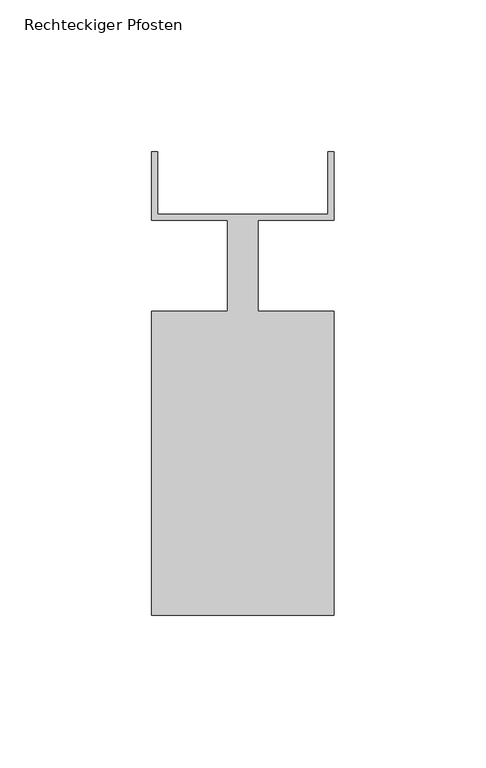
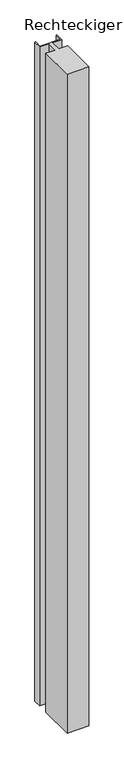
"""IFC4 building model written with IfcOpenShell, lengths in millimetres: member geometry, Rechteckiger Pfosten."""

from ifc_helpers import new_model, si_unit, frame, origin, place, context, project, spatial, polyline, outline, extrude, source, transform, mapped, element, save


def rechteckiger_pfosten_e9b915e1(model_context):
    return source(origin(), model_context, "Body", "SweptSolid", [
        extrude(outline(polyline([(28.0, 37.5), (30.0, 37.5), (30.0, 15.0), (5.0, 15.0), (5.0, -15.0), (30.0, -15.0), (30.0, -115.0), (-30.0, -115.0), (-30.0, -15.0), (-5.0, -15.0), (-5.0, 15.0), (-30.0, 15.0), (-30.0, 37.5), (-28.0, 37.5), (-28.0, 17.0), (28.0, 17.0), (28.0, 37.5)])), frame((0.0, 0.0, -1910.0), z_axis=(0.0, 0.0, 1.0), x_axis=(1.0, 0.0, 0.0)), (0.0, 0.0, 1.0), 1910.0),
    ])


if __name__ == "__main__":
    model = new_model("IFC4")
    model_context = context("Model", 3, world=origin())
    ifc_project = project(units=[si_unit("LENGTHUNIT", "METRE", prefix="MILLI")], contexts=[model_context])
    site = spatial("IfcSite", under=ifc_project)
    building = spatial("IfcBuilding", under=site)
    placement = place(None, origin())
    rechteckiger_pfosten_shape = rechteckiger_pfosten_e9b915e1(model_context)
    element("IfcMember", 1, ObjectType="Rechteckiger Pfosten", at=placement, inside=building, context=model_context, shape_type="MappedRepresentation", body=[
        mapped(rechteckiger_pfosten_shape, transform((0.0, 0.0, 0.0), x_axis=(1.0, 0.0, 0.0), y_axis=(0.0, 1.0, 0.0), z_axis=(0.0, 0.0, 1.0))),
    ])
    save(model, "model.ifc")
